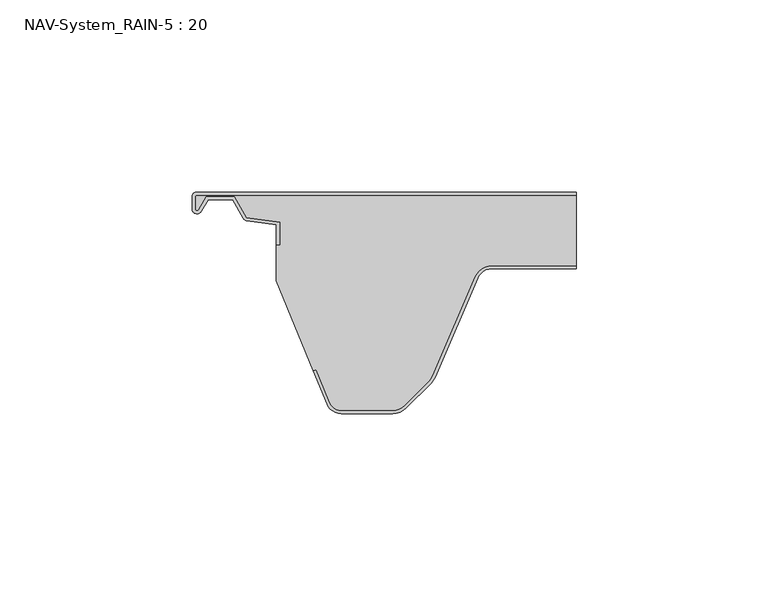
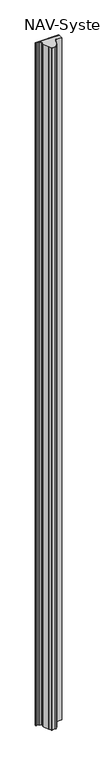
"""IFC4 building model written with IfcOpenShell, lengths in millimetres: plate geometry, NAV-System_RAIN-5 : 20."""

from ifc_helpers import new_model, si_unit, point, frame_2d, origin, origin_with_axes, place, context, project, spatial, polyline, circle_curve, trimmed, segment, composite_curve, outline, extrude, source, transform, mapped, element, save


def nav_system_rain_5_20_1bea2125(model_context):
    return source(origin(), model_context, "Body", "SweptSolid", [
        extrude(outline(composite_curve([segment(trimmed(circle_curve(frame_2d((-48.7, -1.3)), 0.5), [point((-48.7, -0.8))], [point((-49.2, -1.3))], True, "CARTESIAN"), True, "CONTINUOUS"), segment(polyline([(-49.2, -1.3), (-49.2, -4.3700191)]), True, "CONTINUOUS"), segment(trimmed(circle_curve(frame_2d((-48.7, -4.3700191)), 0.5), [point((-49.2, -4.3700191))], [point((-48.2669873, -4.6200191))], True, "CARTESIAN"), True, "CONTINUOUS"), segment(polyline([(-48.2669873, -4.6200191), (-46.2924383, -1.2), (-38.9841833, -1.2), (-35.8164586, -6.6866602), (-27.2, -7.898332), (-27.2, -13.6767555), (-28.0, -13.6767555), (-28.0, -8.5937048), (-35.6863953, -7.5128213)]), True, "CONTINUOUS"), segment(trimmed(circle_curve(frame_2d((-35.5053666, -6.2254873)), 1.3), [point((-35.6863953, -7.5128213))], [point((-36.6311996, -6.8754873))], False, "CARTESIAN"), True, "CONTINUOUS"), segment(polyline([(-36.6311996, -6.8754873), (-39.4460636, -2.0), (-45.8305581, -2.0), (-47.574167, -5.0200191)]), True, "CONTINUOUS"), segment(trimmed(circle_curve(frame_2d((-48.7, -4.3700191)), 1.3), [point((-47.574167, -5.0200191))], [point((-50.0, -4.3700191))], False, "CARTESIAN"), True, "CONTINUOUS"), segment(polyline([(-50.0, -4.3700191), (-50.0, -1.3)]), True, "CONTINUOUS"), segment(trimmed(circle_curve(frame_2d((-48.7, -1.3)), 1.3), [point((-50.0, -1.3))], [point((-48.7, 0.0))], False, "CARTESIAN"), True, "CONTINUOUS"), segment(polyline([(-48.7, 0.0), (50.0, 0.0), (50.0, -0.8), (-48.7, -0.8)]), True, "CONTINUOUS")], self_intersect=False)), origin_with_axes(), (0.0, 0.0, 1.0), 3000.0),
        extrude(outline(composite_curve([segment(trimmed(circle_curve(frame_2d((28.0709249, -24.0)), 4.8), [point((28.0709249, -19.2))], [point((23.6607271, -22.1052295))], True, "CARTESIAN"), True, "CONTINUOUS"), segment(polyline([(23.6607271, -22.1052295), (12.5754349, -47.9069459)]), True, "CONTINUOUS"), segment(trimmed(circle_curve(frame_2d((8.7165118, -46.2490217)), 4.2), [point((12.5754349, -47.9069459))], [point((11.6863603, -49.2188701))], False, "CARTESIAN"), True, "CONTINUOUS"), segment(polyline([(11.6863603, -49.2188701), (5.235382, -55.6698485)]), True, "CONTINUOUS"), segment(trimmed(circle_curve(frame_2d((2.2655335, -52.7)), 4.2), [point((5.235382, -55.6698485))], [point((2.2655335, -56.9))], False, "CARTESIAN"), True, "CONTINUOUS"), segment(polyline([(2.2655335, -56.9), (-11.1405186, -56.9)]), True, "CONTINUOUS"), segment(trimmed(circle_curve(frame_2d((-11.1405186, -53.7)), 3.2), [point((-11.1405186, -56.9))], [point((-14.1022482, -54.9116756))], False, "CARTESIAN"), True, "CONTINUOUS"), segment(polyline([(-14.1022482, -54.9116756), (-17.6292254, -46.2905951), (-18.3696578, -46.593514), (-28.0, -23.053822), (-28.0, -13.6767555), (-27.2, -13.6767555), (-27.2, -7.898332), (-35.8164586, -6.6866602), (-38.9841833, -1.2), (-46.2924383, -1.2), (-48.2669873, -4.6200191)]), True, "CONTINUOUS"), segment(trimmed(circle_curve(frame_2d((-48.7, -4.3700191)), 0.5), [point((-48.2669873, -4.6200191))], [point((-49.2, -4.3700191))], False, "CARTESIAN"), True, "CONTINUOUS"), segment(polyline([(-49.2, -4.3700191), (-49.2, -1.3)]), True, "CONTINUOUS"), segment(trimmed(circle_curve(frame_2d((-48.7, -1.3)), 0.5), [point((-49.2, -1.3))], [point((-48.7, -0.8))], False, "CARTESIAN"), True, "CONTINUOUS"), segment(polyline([(-48.7, -0.8), (50.0, -0.8), (50.0, -19.2), (28.0709249, -19.2)]), True, "CONTINUOUS")], self_intersect=False)), origin_with_axes(), (0.0, 0.0, 1.0), 3000.0),
        extrude(outline(composite_curve([segment(polyline([(-14.8430228, -55.2145945), (-18.37, -46.593514), (-17.6295676, -46.2905951), (-14.1025904, -54.9116756)]), True, "CONTINUOUS"), segment(trimmed(circle_curve(frame_2d((-11.1408608, -53.7)), 3.2), [point((-14.1025904, -54.9116756))], [point((-11.1408608, -56.9))], True, "CARTESIAN"), True, "CONTINUOUS"), segment(polyline([(-11.1408608, -56.9), (2.2651913, -56.9)]), True, "CONTINUOUS"), segment(trimmed(circle_curve(frame_2d((2.2651913, -52.7)), 4.2), [point((2.2651913, -56.9))], [point((5.2350397, -55.6698485))], True, "CARTESIAN"), True, "CONTINUOUS"), segment(polyline([(5.2350397, -55.6698485), (11.6860181, -49.2188701)]), True, "CONTINUOUS"), segment(trimmed(circle_curve(frame_2d((8.7161696, -46.2490217)), 4.2), [point((11.6860181, -49.2188701))], [point((12.5750927, -47.9069459))], True, "CARTESIAN"), True, "CONTINUOUS"), segment(polyline([(12.5750927, -47.9069459), (23.6603849, -22.1052295)]), True, "CONTINUOUS"), segment(trimmed(circle_curve(frame_2d((28.0705827, -24.0)), 4.8), [point((23.6603849, -22.1052295))], [point((28.0705827, -19.2))], False, "CARTESIAN"), True, "CONTINUOUS"), segment(polyline([(28.0705827, -19.2), (50.0, -19.2), (50.0, -20.0), (28.0705827, -20.0)]), True, "CONTINUOUS"), segment(trimmed(circle_curve(frame_2d((28.0705827, -24.0)), 4.0), [point((28.0705827, -20.0))], [point((24.3954178, -22.4210246))], True, "CARTESIAN"), True, "CONTINUOUS"), segment(polyline([(24.3954178, -22.4210246), (13.3101256, -48.2227409)]), True, "CONTINUOUS"), segment(trimmed(circle_curve(frame_2d((8.7161696, -46.2490217)), 5.0), [point((13.3101256, -48.2227409))], [point((12.2517035, -49.7845556))], False, "CARTESIAN"), True, "CONTINUOUS"), segment(polyline([(12.2517035, -49.7845556), (5.8007252, -56.2355339)]), True, "CONTINUOUS"), segment(trimmed(circle_curve(frame_2d((2.2651913, -52.7)), 5.0), [point((5.8007252, -56.2355339))], [point((2.2651913, -57.7))], False, "CARTESIAN"), True, "CONTINUOUS"), segment(polyline([(2.2651913, -57.7), (-11.1408608, -57.7)]), True, "CONTINUOUS"), segment(trimmed(circle_curve(frame_2d((-11.1408608, -53.7)), 4.0), [point((-11.1408608, -57.7))], [point((-14.8430228, -55.2145945))], False, "CARTESIAN"), True, "CONTINUOUS")], self_intersect=False)), origin_with_axes(), (0.0, 0.0, 1.0), 3000.0),
    ])


if __name__ == "__main__":
    model = new_model("IFC4")
    model_context = context("Model", 3, world=origin())
    ifc_project = project(units=[si_unit("LENGTHUNIT", "METRE", prefix="MILLI")], contexts=[model_context])
    site = spatial("IfcSite", under=ifc_project)
    building = spatial("IfcBuilding", under=site)
    placement = place(None, origin())
    nav_system_rain_5_20_shape = nav_system_rain_5_20_1bea2125(model_context)
    element("IfcPlate", 1, ObjectType="NAV-System_RAIN-5 : 20", at=placement, inside=building, context=model_context, shape_type="MappedRepresentation", body=[
        mapped(nav_system_rain_5_20_shape, transform((0.0, 0.0, 0.0), x_axis=(1.0, 0.0, 0.0), y_axis=(0.0, 1.0, 0.0), z_axis=(0.0, 0.0, 1.0))),
    ])
    save(model, "model.ifc")
